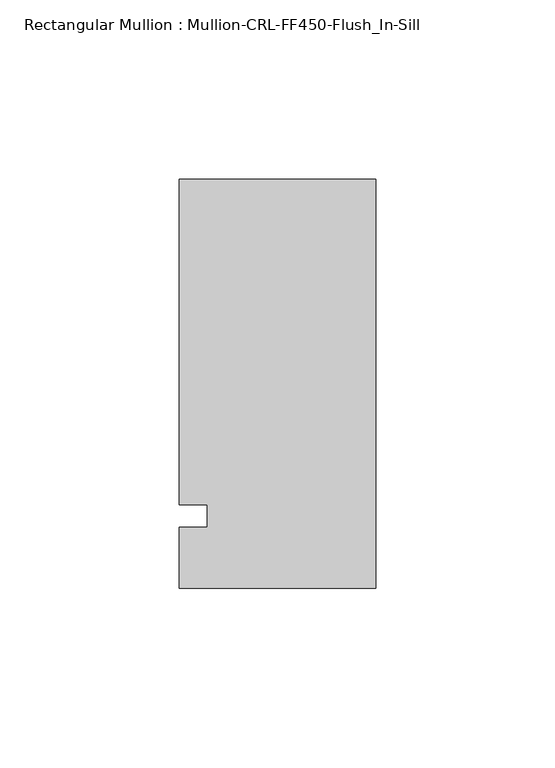
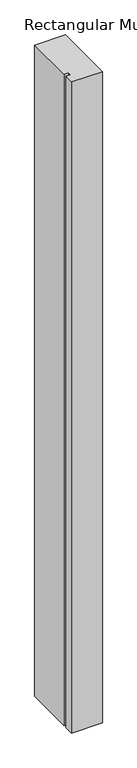
"""IFC4 building model written with IfcOpenShell, lengths in millimetres: member geometry, Rectangular Mullion : Mullion-CRL-FF450-Flush_In-Sill."""

from ifc_helpers import new_model, si_unit, frame, origin, place, context, project, spatial, polyline, outline, extrude, source, transform, mapped, element, save


def rectangular_mullion_mullion_crl_ff450_flush_in_sill_4514e18a(model_context):
    return source(origin(), model_context, "Body", "SweptSolid", [
        extrude(outline(polyline([(-54.9910181, 94.1655689), (0.0, 94.1655689), (0.0, -20.1414062), (-54.9910181, -20.1414062), (-54.9910181, -3.175), (-47.0535181, -3.175), (-47.0535181, 3.175), (-54.9910181, 3.175), (-54.9910181, 94.1655689)])), frame((0.0, 0.0, -1231.8998994), z_axis=(0.0, 0.0, 1.0), x_axis=(1.0, 0.0, 0.0)), (0.0, 0.0, 1.0), 1231.8998994),
    ])


if __name__ == "__main__":
    model = new_model("IFC4")
    model_context = context("Model", 3, world=origin())
    ifc_project = project(units=[si_unit("LENGTHUNIT", "METRE", prefix="MILLI")], contexts=[model_context])
    site = spatial("IfcSite", under=ifc_project)
    building = spatial("IfcBuilding", under=site)
    placement = place(None, origin())
    rectangular_mullion_mullion_crl_ff450_flush_in_sill_shape = rectangular_mullion_mullion_crl_ff450_flush_in_sill_4514e18a(model_context)
    element("IfcMember", 1, ObjectType="Rectangular Mullion : Mullion-CRL-FF450-Flush_In-Sill", at=placement, inside=building, context=model_context, shape_type="MappedRepresentation", body=[
        mapped(rectangular_mullion_mullion_crl_ff450_flush_in_sill_shape, transform((0.0, 0.0, 0.0), x_axis=(1.0, 0.0, 0.0), y_axis=(0.0, 1.0, 0.0), z_axis=(0.0, 0.0, 1.0))),
    ])
    save(model, "model.ifc")
